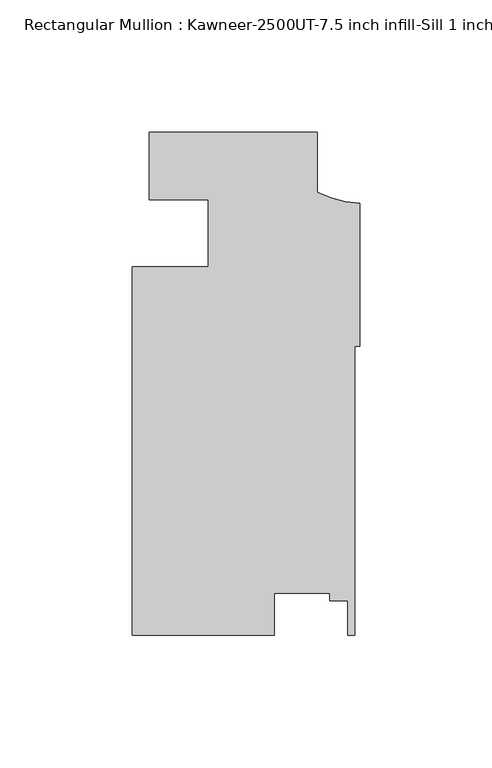
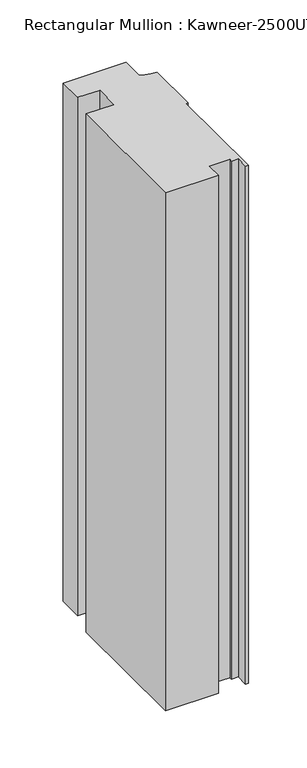
"""IFC4 building model written with IfcOpenShell, lengths in millimetres: member geometry, Rectangular Mullion : Kawneer-2500UT-7.5 inch infill-Sill 1 inch infill MODEL."""

from ifc_helpers import new_model, si_unit, point, frame, frame_2d, origin, place, context, project, spatial, polyline, circle_curve, trimmed, segment, composite_curve, outline, extrude, source, transform, mapped, element, save


def rectangular_mullion_kawneer_2500ut_7_5_inch_infill_sill_1_24df9a03(model_context):
    return source(origin(), model_context, "Body", "SweptSolid", [
        extrude(outline(composite_curve([segment(polyline([(-79.4905696, 38.1), (-15.9746946, 38.1), (-15.9746946, 15.5383029)]), True, "CONTINUOUS"), segment(trimmed(circle_curve(frame_2d((1.9580191, 50.6649275)), 39.4393455), [point((-15.9746946, 15.5383029))], [point((0.0, 11.2742162))], True, "CARTESIAN"), True, "CONTINUOUS"), segment(polyline([(0.0, 11.2742162), (0.0, -42.756141), (-1.8773984, -42.756141), (-1.8773984, -151.907875), (-4.4208709, -151.907875), (-4.4208709, -138.8640758), (-11.2788707, -138.8640758), (-11.2788707, -136.0094705), (-32.2255199, -136.0094705), (-32.2255199, -151.907875), (-85.8405696, -151.907875), (-85.8405696, -12.7163275), (-57.2655696, -12.7157457), (-57.2655696, 12.3664923)]), True, "CONTINUOUS"), segment(trimmed(circle_curve(frame_2d((-75.1898178, -448.3236947)), 461.0387479), [point((-57.2655696, 12.3664923))], [point((-79.4905696, 12.6949932))], True, "CARTESIAN"), True, "CONTINUOUS"), segment(polyline([(-79.4905696, 12.6949932), (-79.4905696, 38.1)]), True, "CONTINUOUS")], self_intersect=False)), frame((0.0, 0.0, -554.0417534), z_axis=(0.0, 0.0, 1.0), x_axis=(1.0, 0.0, 0.0)), (0.0, 0.0, 1.0), 554.0417534),
    ])


if __name__ == "__main__":
    model = new_model("IFC4")
    model_context = context("Model", 3, world=origin())
    ifc_project = project(units=[si_unit("LENGTHUNIT", "METRE", prefix="MILLI")], contexts=[model_context])
    site = spatial("IfcSite", under=ifc_project)
    building = spatial("IfcBuilding", under=site)
    placement = place(None, origin())
    rectangular_mullion_kawneer_2500ut_7_5_inch_infill_sill_1_shape = rectangular_mullion_kawneer_2500ut_7_5_inch_infill_sill_1_24df9a03(model_context)
    element("IfcMember", 1, ObjectType="Rectangular Mullion : Kawneer-2500UT-7.5 inch infill-Sill 1 inch infill MODEL", at=placement, inside=building, context=model_context, shape_type="MappedRepresentation", body=[
        mapped(rectangular_mullion_kawneer_2500ut_7_5_inch_infill_sill_1_shape, transform((0.0, 0.0, 0.0), x_axis=(1.0, 0.0, 0.0), y_axis=(0.0, 1.0, 0.0), z_axis=(0.0, 0.0, 1.0))),
    ])
    save(model, "model.ifc")
